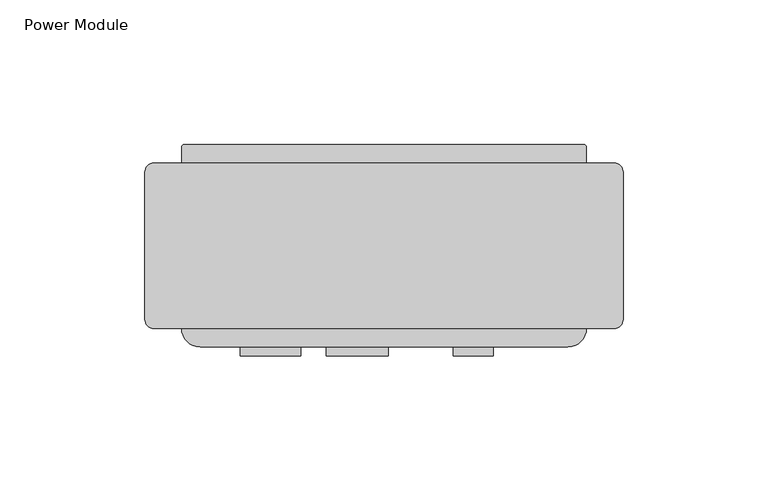
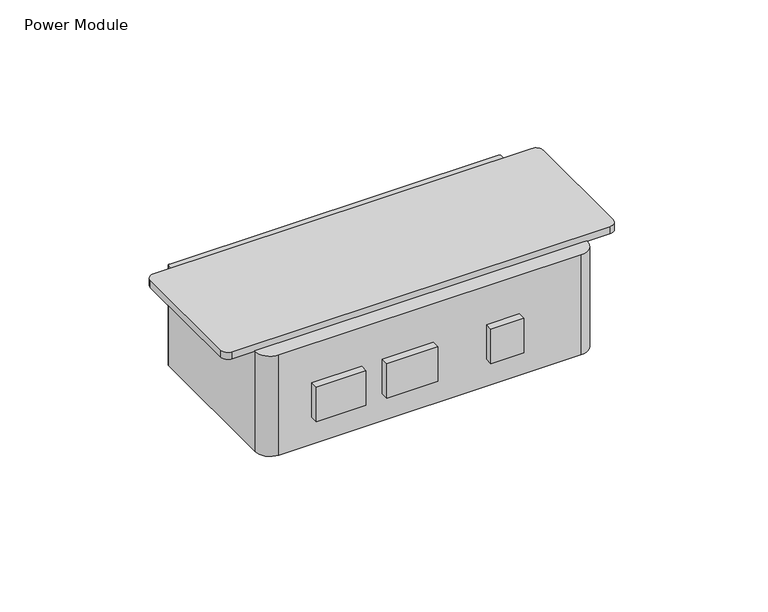
"""IFC4 building model written with IfcOpenShell, lengths in millimetres: furniture geometry, Power Module."""

from ifc_helpers import new_model, si_unit, point, frame, frame_2d, origin, place, context, project, spatial, polyline, circle_curve, trimmed, segment, composite_curve, outline, extrude, source, transform, mapped, element, save


def power_module_90e26790(model_context):
    return source(origin(), model_context, "Body", "SweptSolid", [
        extrude(outline(polyline([(145.8878695, -73.025), (132.0830435, -73.025), (132.0830435, -69.85), (145.8878695, -69.85), (145.8878695, -73.025)])), frame((0.0, 0.0, 148.4693805), z_axis=(0.0, 0.0, 1.0), x_axis=(1.0, 0.0, 0.0)), (0.0, 0.0, 1.0), 15.3288336),
        extrude(outline(polyline([(109.7754563, -73.025), (88.3611892, -73.025), (88.3611892, -69.85), (109.7754563, -69.85), (109.7754563, -73.025)])), frame((0.0, 0.0, 148.4693805), z_axis=(0.0, 0.0, 1.0), x_axis=(1.0, 0.0, 0.0)), (0.0, 0.0, 1.0), 15.3288336),
        extrude(outline(polyline([(79.5494564, -73.025), (58.6452546, -73.025), (58.6452546, -69.85), (79.5494564, -69.85), (79.5494564, -73.025)])), frame((0.0, 0.0, 148.4693805), z_axis=(0.0, 0.0, 1.0), x_axis=(1.0, 0.0, 0.0)), (0.0, 0.0, 1.0), 15.3288336),
        extrude(outline(composite_curve([segment(trimmed(circle_curve(frame_2d((177.3077063, -0.79375)), 0.79375), [point((177.3077063, 0.0))], [point((178.1014563, -0.79375))], False, "CARTESIAN"), True, "CONTINUOUS"), segment(polyline([(178.1014563, -0.79375), (178.1014563, -63.5)]), True, "CONTINUOUS"), segment(trimmed(circle_curve(frame_2d((171.7514563, -63.5)), 6.35), [point((178.1014563, -63.5))], [point((171.7514563, -69.85))], False, "CARTESIAN"), True, "CONTINUOUS"), segment(polyline([(171.7514563, -69.85), (44.7514563, -69.85)]), True, "CONTINUOUS"), segment(trimmed(circle_curve(frame_2d((44.7514563, -63.5)), 6.35), [point((44.7514563, -69.85))], [point((38.4014563, -63.5))], False, "CARTESIAN"), True, "CONTINUOUS"), segment(polyline([(38.4014563, -63.5), (38.4014563, -0.79375)]), True, "CONTINUOUS"), segment(trimmed(circle_curve(frame_2d((39.1952063, -0.79375)), 0.79375), [point((38.4014563, -0.79375))], [point((39.1952063, 0.0))], False, "CARTESIAN"), True, "CONTINUOUS"), segment(polyline([(39.1952063, 0.0), (177.3077063, 0.0)]), True, "CONTINUOUS")], self_intersect=False)), frame((0.0, 0.0, 136.525), z_axis=(0.0, 0.0, 1.0), x_axis=(1.0, 0.0, 0.0)), (0.0, 0.0, 1.0), 44.45),
        extrude(outline(composite_curve([segment(trimmed(circle_curve(frame_2d((187.6264563, -9.525)), 3.175), [point((187.6264563, -6.35))], [point((190.8014563, -9.525))], False, "CARTESIAN"), True, "CONTINUOUS"), segment(polyline([(190.8014563, -9.525), (190.8014563, -60.325)]), True, "CONTINUOUS"), segment(trimmed(circle_curve(frame_2d((187.6264563, -60.325)), 3.175), [point((190.8014563, -60.325))], [point((187.6264563, -63.5))], False, "CARTESIAN"), True, "CONTINUOUS"), segment(polyline([(187.6264563, -63.5), (28.8764563, -63.5)]), True, "CONTINUOUS"), segment(trimmed(circle_curve(frame_2d((28.8764563, -60.325)), 3.175), [point((28.8764563, -63.5))], [point((25.7014563, -60.325))], False, "CARTESIAN"), True, "CONTINUOUS"), segment(polyline([(25.7014563, -60.325), (25.7014563, -9.525)]), True, "CONTINUOUS"), segment(trimmed(circle_curve(frame_2d((28.8764563, -9.525)), 3.175), [point((25.7014563, -9.525))], [point((28.8764563, -6.35))], False, "CARTESIAN"), True, "CONTINUOUS"), segment(polyline([(28.8764563, -6.35), (187.6264563, -6.35)]), True, "CONTINUOUS")], self_intersect=False)), frame((0.0, 0.0, 180.975), z_axis=(0.0, 0.0, 1.0), x_axis=(1.0, 0.0, 0.0)), (0.0, 0.0, 1.0), 3.175),
    ])


if __name__ == "__main__":
    model = new_model("IFC4")
    model_context = context("Model", 3, world=origin())
    ifc_project = project(units=[si_unit("LENGTHUNIT", "METRE", prefix="MILLI")], contexts=[model_context])
    site = spatial("IfcSite", under=ifc_project)
    building = spatial("IfcBuilding", under=site)
    placement = place(None, origin())
    power_module_shape = power_module_90e26790(model_context)
    element("IfcFurniture", 1, ObjectType="Power Module", at=placement, inside=building, context=model_context, shape_type="MappedRepresentation", body=[
        mapped(power_module_shape, transform((0.0, 0.0, 0.0), x_axis=(1.0, 0.0, 0.0), y_axis=(0.0, 1.0, 0.0), z_axis=(0.0, 0.0, 1.0))),
    ])
    save(model, "model.ifc")
